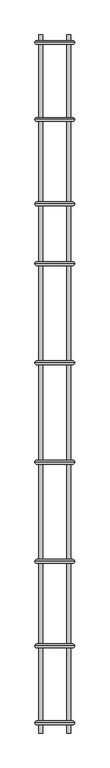
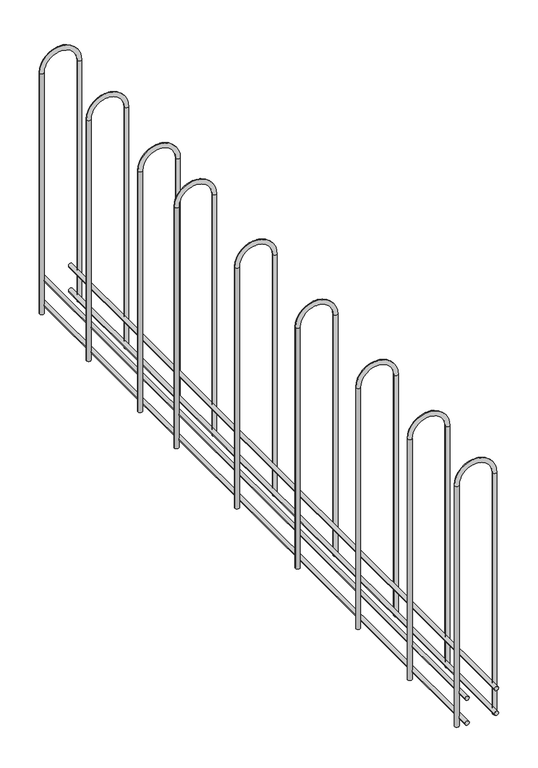
"""IFC4 building model written with IfcOpenShell, lengths in millimetres: proxy geometry."""

from ifc_helpers import new_model, si_unit, point, frame, frame_2d, origin, place, context, project, spatial, circle_curve, ellipse_curve, trimmed, segment, composite_curve, outline, extrude, source, transform, mapped, element, save
from ifc_brep_helpers import plane_surface, cylinder_surface, revolved_surface, advanced_brep


def generic_models_ecbf04d9(model_context):
    return source(origin(), model_context, "Body", "SolidModel", [
        advanced_brep(
        [(18808.412735, 10674.79344, 7827.9042142), (18800.412735, 10674.79344, 7827.9042142), (18808.412735, 10674.79344, 8312.9042142), (18800.412735, 10674.79344, 8312.9042142), (18736.412735, 10674.79344, 8312.9042142), (18728.412735, 10674.79344, 8312.9042142), (18728.412735, 10674.79344, 7827.9042142), (18736.412735, 10674.79344, 7827.9042142)],
        [
            (0, 1, circle_curve(frame((18804.412735, 10674.79344, 7827.9042142), z_axis=(0.0, 0.0, -1.0), x_axis=(-1.0, 0.0, 0.0)), 4.0)),
            (1, 0, circle_curve(frame((18804.412735, 10674.79344, 7827.9042142), z_axis=(0.0, 0.0, -1.0), x_axis=(-1.0, 0.0, 0.0)), 4.0)),
            (0, 2),
            (2, 3, circle_curve(frame((18804.412735, 10674.79344, 8312.9042142), z_axis=(0.0, 0.0, -1.0), x_axis=(-1.0, 0.0, 0.0)), 4.0)),
            (3, 1),
            (3, 2, circle_curve(frame((18804.412735, 10674.79344, 8312.9042142), z_axis=(0.0, 0.0, -1.0), x_axis=(-1.0, 0.0, 0.0)), 4.0)),
            (4, 3, circle_curve(frame((18768.412735, 10674.79344, 8312.9042142), z_axis=(0.0, 1.0, 0.0), x_axis=(1.0, 0.0, 0.0)), 32.0)),
            (2, 5, circle_curve(frame((18768.412735, 10674.79344, 8312.9042142), z_axis=(0.0, -1.0, 0.0), x_axis=(1.0, 0.0, 0.0)), 40.0)),
            (5, 4, circle_curve(frame((18732.412735, 10674.79344, 8312.9042142), z_axis=(0.0, 0.0, 1.0), x_axis=(1.0, 0.0, 0.0)), 4.0)),
            (4, 5, circle_curve(frame((18732.412735, 10674.79344, 8312.9042142), z_axis=(0.0, 0.0, 1.0), x_axis=(1.0, 0.0, 0.0)), 4.0)),
            (6, 7, circle_curve(frame((18732.412735, 10674.79344, 7827.9042142), z_axis=(0.0, 0.0, -1.0), x_axis=(1.0, 0.0, 0.0)), 4.0)),
            (7, 6, circle_curve(frame((18732.412735, 10674.79344, 7827.9042142), z_axis=(0.0, 0.0, -1.0), x_axis=(1.0, 0.0, 0.0)), 4.0)),
            (5, 6),
            (7, 4),
        ],
        [
            plane_surface(frame((18804.412735, 10674.79344, 7827.9042142), z_axis=(0.0, 0.0, -1.0), x_axis=(0.0, -1.0, 0.0))),
            cylinder_surface(frame((18804.412735, 10674.79344, 7827.9042142), z_axis=(0.0, 0.0, -1.0), x_axis=(-1.0, 0.0, 0.0)), 4.0),
            revolved_surface(trimmed(ellipse_curve(frame((18804.412735, 10674.79344, 8312.9042142), z_axis=(0.0, 0.0, -1.0), x_axis=(-1.0, 0.0, 0.0)), 4.0, 4.0), [point((18808.412735, 10674.79344, 8312.9042142))], [point((18800.412735, 10674.79344, 8312.9042142))], True, "CARTESIAN"), (18768.412735, 10674.79344, 8312.9042142), (0.0, -1.0, 0.0)),
            revolved_surface(trimmed(ellipse_curve(frame((18804.412735, 10674.79344, 8312.9042142), z_axis=(0.0, 0.0, -1.0), x_axis=(-1.0, 0.0, 0.0)), 4.0, 4.0), [point((18800.412735, 10674.79344, 8312.9042142))], [point((18808.412735, 10674.79344, 8312.9042142))], True, "CARTESIAN"), (18768.412735, 10674.79344, 8312.9042142), (0.0, -1.0, 0.0)),
            plane_surface(frame((18732.412735, 10674.79344, 7827.9042142), z_axis=(0.0, 0.0, -1.0), x_axis=(0.0, -1.0, 0.0))),
            cylinder_surface(frame((18732.412735, 10674.79344, 8312.9042142), z_axis=(0.0, 0.0, 1.0), x_axis=(1.0, 0.0, 0.0)), 4.0),
        ],
        [
            (0, [[1, 2]]),
            (1, [[-1, 3, 4, 5]]),
            (1, [[-2, -5, 6, -3]]),
            (2, [[7, -4, 8, 9]]),
            (3, [[-8, -6, -7, 10]]),
            (4, [[11, 12]]),
            (5, [[-9, 13, -12, 14]]),
            (5, [[-10, -14, -11, -13]]),
        ],
    ),
        advanced_brep(
        [(18808.412735, 10519.79344, 7827.9042142), (18800.412735, 10519.79344, 7827.9042142), (18808.412735, 10519.79344, 8312.9042142), (18800.412735, 10519.79344, 8312.9042142), (18736.412735, 10519.79344, 8312.9042142), (18728.412735, 10519.79344, 8312.9042142), (18728.412735, 10519.79344, 7827.9042142), (18736.412735, 10519.79344, 7827.9042142)],
        [
            (0, 1, circle_curve(frame((18804.412735, 10519.79344, 7827.9042142), z_axis=(0.0, 0.0, -1.0), x_axis=(-1.0, 0.0, 0.0)), 4.0)),
            (1, 0, circle_curve(frame((18804.412735, 10519.79344, 7827.9042142), z_axis=(0.0, 0.0, -1.0), x_axis=(-1.0, 0.0, 0.0)), 4.0)),
            (0, 2),
            (2, 3, circle_curve(frame((18804.412735, 10519.79344, 8312.9042142), z_axis=(0.0, 0.0, -1.0), x_axis=(-1.0, 0.0, 0.0)), 4.0)),
            (3, 1),
            (3, 2, circle_curve(frame((18804.412735, 10519.79344, 8312.9042142), z_axis=(0.0, 0.0, -1.0), x_axis=(-1.0, 0.0, 0.0)), 4.0)),
            (4, 3, circle_curve(frame((18768.412735, 10519.79344, 8312.9042142), z_axis=(0.0, 1.0, 0.0), x_axis=(1.0, 0.0, 0.0)), 32.0)),
            (2, 5, circle_curve(frame((18768.412735, 10519.79344, 8312.9042142), z_axis=(0.0, -1.0, 0.0), x_axis=(1.0, 0.0, 0.0)), 40.0)),
            (5, 4, circle_curve(frame((18732.412735, 10519.79344, 8312.9042142), z_axis=(0.0, 0.0, 1.0), x_axis=(1.0, 0.0, 0.0)), 4.0)),
            (4, 5, circle_curve(frame((18732.412735, 10519.79344, 8312.9042142), z_axis=(0.0, 0.0, 1.0), x_axis=(1.0, 0.0, 0.0)), 4.0)),
            (6, 7, circle_curve(frame((18732.412735, 10519.79344, 7827.9042142), z_axis=(0.0, 0.0, -1.0), x_axis=(1.0, 0.0, 0.0)), 4.0)),
            (7, 6, circle_curve(frame((18732.412735, 10519.79344, 7827.9042142), z_axis=(0.0, 0.0, -1.0), x_axis=(1.0, 0.0, 0.0)), 4.0)),
            (5, 6),
            (7, 4),
        ],
        [
            plane_surface(frame((18804.412735, 10519.79344, 7827.9042142), z_axis=(0.0, 0.0, -1.0), x_axis=(0.0, -1.0, 0.0))),
            cylinder_surface(frame((18804.412735, 10519.79344, 7827.9042142), z_axis=(0.0, 0.0, -1.0), x_axis=(-1.0, 0.0, 0.0)), 4.0),
            revolved_surface(trimmed(ellipse_curve(frame((18804.412735, 10519.79344, 8312.9042142), z_axis=(0.0, 0.0, -1.0), x_axis=(-1.0, 0.0, 0.0)), 4.0, 4.0), [point((18808.412735, 10519.79344, 8312.9042142))], [point((18800.412735, 10519.79344, 8312.9042142))], True, "CARTESIAN"), (18768.412735, 10519.79344, 8312.9042142), (0.0, -1.0, 0.0)),
            revolved_surface(trimmed(ellipse_curve(frame((18804.412735, 10519.79344, 8312.9042142), z_axis=(0.0, 0.0, -1.0), x_axis=(-1.0, 0.0, 0.0)), 4.0, 4.0), [point((18800.412735, 10519.79344, 8312.9042142))], [point((18808.412735, 10519.79344, 8312.9042142))], True, "CARTESIAN"), (18768.412735, 10519.79344, 8312.9042142), (0.0, -1.0, 0.0)),
            plane_surface(frame((18732.412735, 10519.79344, 7827.9042142), z_axis=(0.0, 0.0, -1.0), x_axis=(0.0, -1.0, 0.0))),
            cylinder_surface(frame((18732.412735, 10519.79344, 8312.9042142), z_axis=(0.0, 0.0, 1.0), x_axis=(1.0, 0.0, 0.0)), 4.0),
        ],
        [
            (0, [[1, 2]]),
            (1, [[-1, 3, 4, 5]]),
            (1, [[-2, -5, 6, -3]]),
            (2, [[7, -4, 8, 9]]),
            (3, [[-8, -6, -7, 10]]),
            (4, [[11, 12]]),
            (5, [[-9, 13, -12, 14]]),
            (5, [[-10, -14, -11, -13]]),
        ],
    ),
        advanced_brep(
        [(18808.412735, 10349.79344, 7827.9042142), (18800.412735, 10349.79344, 7827.9042142), (18808.412735, 10349.79344, 8312.9042142), (18800.412735, 10349.79344, 8312.9042142), (18736.412735, 10349.79344, 8312.9042142), (18728.412735, 10349.79344, 8312.9042142), (18728.412735, 10349.79344, 7827.9042142), (18736.412735, 10349.79344, 7827.9042142)],
        [
            (0, 1, circle_curve(frame((18804.412735, 10349.79344, 7827.9042142), z_axis=(0.0, 0.0, -1.0), x_axis=(-1.0, 0.0, 0.0)), 4.0)),
            (1, 0, circle_curve(frame((18804.412735, 10349.79344, 7827.9042142), z_axis=(0.0, 0.0, -1.0), x_axis=(-1.0, 0.0, 0.0)), 4.0)),
            (0, 2),
            (2, 3, circle_curve(frame((18804.412735, 10349.79344, 8312.9042142), z_axis=(0.0, 0.0, -1.0), x_axis=(-1.0, 0.0, 0.0)), 4.0)),
            (3, 1),
            (3, 2, circle_curve(frame((18804.412735, 10349.79344, 8312.9042142), z_axis=(0.0, 0.0, -1.0), x_axis=(-1.0, 0.0, 0.0)), 4.0)),
            (4, 3, circle_curve(frame((18768.412735, 10349.79344, 8312.9042142), z_axis=(0.0, 1.0, 0.0), x_axis=(1.0, 0.0, 0.0)), 32.0)),
            (2, 5, circle_curve(frame((18768.412735, 10349.79344, 8312.9042142), z_axis=(0.0, -1.0, 0.0), x_axis=(1.0, 0.0, 0.0)), 40.0)),
            (5, 4, circle_curve(frame((18732.412735, 10349.79344, 8312.9042142), z_axis=(0.0, 0.0, 1.0), x_axis=(1.0, 0.0, 0.0)), 4.0)),
            (4, 5, circle_curve(frame((18732.412735, 10349.79344, 8312.9042142), z_axis=(0.0, 0.0, 1.0), x_axis=(1.0, 0.0, 0.0)), 4.0)),
            (6, 7, circle_curve(frame((18732.412735, 10349.79344, 7827.9042142), z_axis=(0.0, 0.0, -1.0), x_axis=(1.0, 0.0, 0.0)), 4.0)),
            (7, 6, circle_curve(frame((18732.412735, 10349.79344, 7827.9042142), z_axis=(0.0, 0.0, -1.0), x_axis=(1.0, 0.0, 0.0)), 4.0)),
            (5, 6),
            (7, 4),
        ],
        [
            plane_surface(frame((18804.412735, 10349.79344, 7827.9042142), z_axis=(0.0, 0.0, -1.0), x_axis=(0.0, -1.0, 0.0))),
            cylinder_surface(frame((18804.412735, 10349.79344, 7827.9042142), z_axis=(0.0, 0.0, -1.0), x_axis=(-1.0, 0.0, 0.0)), 4.0),
            revolved_surface(trimmed(ellipse_curve(frame((18804.412735, 10349.79344, 8312.9042142), z_axis=(0.0, 0.0, -1.0), x_axis=(-1.0, 0.0, 0.0)), 4.0, 4.0), [point((18808.412735, 10349.79344, 8312.9042142))], [point((18800.412735, 10349.79344, 8312.9042142))], True, "CARTESIAN"), (18768.412735, 10349.79344, 8312.9042142), (0.0, -1.0, 0.0)),
            revolved_surface(trimmed(ellipse_curve(frame((18804.412735, 10349.79344, 8312.9042142), z_axis=(0.0, 0.0, -1.0), x_axis=(-1.0, 0.0, 0.0)), 4.0, 4.0), [point((18800.412735, 10349.79344, 8312.9042142))], [point((18808.412735, 10349.79344, 8312.9042142))], True, "CARTESIAN"), (18768.412735, 10349.79344, 8312.9042142), (0.0, -1.0, 0.0)),
            plane_surface(frame((18732.412735, 10349.79344, 7827.9042142), z_axis=(0.0, 0.0, -1.0), x_axis=(0.0, -1.0, 0.0))),
            cylinder_surface(frame((18732.412735, 10349.79344, 8312.9042142), z_axis=(0.0, 0.0, 1.0), x_axis=(1.0, 0.0, 0.0)), 4.0),
        ],
        [
            (0, [[1, 2]]),
            (1, [[-1, 3, 4, 5]]),
            (1, [[-2, -5, 6, -3]]),
            (2, [[7, -4, 8, 9]]),
            (3, [[-8, -6, -7, 10]]),
            (4, [[11, 12]]),
            (5, [[-9, 13, -12, 14]]),
            (5, [[-10, -14, -11, -13]]),
        ],
    ),
        advanced_brep(
        [(18808.412735, 10229.79344, 7827.9042142), (18800.412735, 10229.79344, 7827.9042142), (18808.412735, 10229.79344, 8312.9042142), (18800.412735, 10229.79344, 8312.9042142), (18736.412735, 10229.79344, 8312.9042142), (18728.412735, 10229.79344, 8312.9042142), (18728.412735, 10229.79344, 7827.9042142), (18736.412735, 10229.79344, 7827.9042142)],
        [
            (0, 1, circle_curve(frame((18804.412735, 10229.79344, 7827.9042142), z_axis=(0.0, 0.0, -1.0), x_axis=(-1.0, 0.0, 0.0)), 4.0)),
            (1, 0, circle_curve(frame((18804.412735, 10229.79344, 7827.9042142), z_axis=(0.0, 0.0, -1.0), x_axis=(-1.0, 0.0, 0.0)), 4.0)),
            (0, 2),
            (2, 3, circle_curve(frame((18804.412735, 10229.79344, 8312.9042142), z_axis=(0.0, 0.0, -1.0), x_axis=(-1.0, 0.0, 0.0)), 4.0)),
            (3, 1),
            (3, 2, circle_curve(frame((18804.412735, 10229.79344, 8312.9042142), z_axis=(0.0, 0.0, -1.0), x_axis=(-1.0, 0.0, 0.0)), 4.0)),
            (4, 3, circle_curve(frame((18768.412735, 10229.79344, 8312.9042142), z_axis=(0.0, 1.0, 0.0), x_axis=(1.0, 0.0, 0.0)), 32.0)),
            (2, 5, circle_curve(frame((18768.412735, 10229.79344, 8312.9042142), z_axis=(0.0, -1.0, 0.0), x_axis=(1.0, 0.0, 0.0)), 40.0)),
            (5, 4, circle_curve(frame((18732.412735, 10229.79344, 8312.9042142), z_axis=(0.0, 0.0, 1.0), x_axis=(1.0, 0.0, 0.0)), 4.0)),
            (4, 5, circle_curve(frame((18732.412735, 10229.79344, 8312.9042142), z_axis=(0.0, 0.0, 1.0), x_axis=(1.0, 0.0, 0.0)), 4.0)),
            (6, 7, circle_curve(frame((18732.412735, 10229.79344, 7827.9042142), z_axis=(0.0, 0.0, -1.0), x_axis=(1.0, 0.0, 0.0)), 4.0)),
            (7, 6, circle_curve(frame((18732.412735, 10229.79344, 7827.9042142), z_axis=(0.0, 0.0, -1.0), x_axis=(1.0, 0.0, 0.0)), 4.0)),
            (5, 6),
            (7, 4),
        ],
        [
            plane_surface(frame((18804.412735, 10229.79344, 7827.9042142), z_axis=(0.0, 0.0, -1.0), x_axis=(0.0, -1.0, 0.0))),
            cylinder_surface(frame((18804.412735, 10229.79344, 7827.9042142), z_axis=(0.0, 0.0, -1.0), x_axis=(-1.0, 0.0, 0.0)), 4.0),
            revolved_surface(trimmed(ellipse_curve(frame((18804.412735, 10229.79344, 8312.9042142), z_axis=(0.0, 0.0, -1.0), x_axis=(-1.0, 0.0, 0.0)), 4.0, 4.0), [point((18808.412735, 10229.79344, 8312.9042142))], [point((18800.412735, 10229.79344, 8312.9042142))], True, "CARTESIAN"), (18768.412735, 10229.79344, 8312.9042142), (0.0, -1.0, 0.0)),
            revolved_surface(trimmed(ellipse_curve(frame((18804.412735, 10229.79344, 8312.9042142), z_axis=(0.0, 0.0, -1.0), x_axis=(-1.0, 0.0, 0.0)), 4.0, 4.0), [point((18800.412735, 10229.79344, 8312.9042142))], [point((18808.412735, 10229.79344, 8312.9042142))], True, "CARTESIAN"), (18768.412735, 10229.79344, 8312.9042142), (0.0, -1.0, 0.0)),
            plane_surface(frame((18732.412735, 10229.79344, 7827.9042142), z_axis=(0.0, 0.0, -1.0), x_axis=(0.0, -1.0, 0.0))),
            cylinder_surface(frame((18732.412735, 10229.79344, 8312.9042142), z_axis=(0.0, 0.0, 1.0), x_axis=(1.0, 0.0, 0.0)), 4.0),
        ],
        [
            (0, [[1, 2]]),
            (1, [[-1, 3, 4, 5]]),
            (1, [[-2, -5, 6, -3]]),
            (2, [[7, -4, 8, 9]]),
            (3, [[-8, -6, -7, 10]]),
            (4, [[11, 12]]),
            (5, [[-9, 13, -12, 14]]),
            (5, [[-10, -14, -11, -13]]),
        ],
    ),
        advanced_brep(
        [(18808.412735, 10030.067533, 7827.9042142), (18800.412735, 10030.067533, 7827.9042142), (18808.412735, 10030.067533, 8312.9042142), (18800.412735, 10030.067533, 8312.9042142), (18736.412735, 10030.067533, 8312.9042142), (18728.412735, 10030.067533, 8312.9042142), (18728.412735, 10030.067533, 7827.9042142), (18736.412735, 10030.067533, 7827.9042142)],
        [
            (0, 1, circle_curve(frame((18804.412735, 10030.067533, 7827.9042142), z_axis=(0.0, 0.0, -1.0), x_axis=(-1.0, 0.0, 0.0)), 4.0)),
            (1, 0, circle_curve(frame((18804.412735, 10030.067533, 7827.9042142), z_axis=(0.0, 0.0, -1.0), x_axis=(-1.0, 0.0, 0.0)), 4.0)),
            (0, 2),
            (2, 3, circle_curve(frame((18804.412735, 10030.067533, 8312.9042142), z_axis=(0.0, 0.0, -1.0), x_axis=(-1.0, 0.0, 0.0)), 4.0)),
            (3, 1),
            (3, 2, circle_curve(frame((18804.412735, 10030.067533, 8312.9042142), z_axis=(0.0, 0.0, -1.0), x_axis=(-1.0, 0.0, 0.0)), 4.0)),
            (4, 3, circle_curve(frame((18768.412735, 10030.067533, 8312.9042142), z_axis=(0.0, 1.0, 0.0), x_axis=(1.0, 0.0, 0.0)), 32.0)),
            (2, 5, circle_curve(frame((18768.412735, 10030.067533, 8312.9042142), z_axis=(0.0, -1.0, 0.0), x_axis=(1.0, 0.0, 0.0)), 40.0)),
            (5, 4, circle_curve(frame((18732.412735, 10030.067533, 8312.9042142), z_axis=(0.0, 0.0, 1.0), x_axis=(1.0, 0.0, 0.0)), 4.0)),
            (4, 5, circle_curve(frame((18732.412735, 10030.067533, 8312.9042142), z_axis=(0.0, 0.0, 1.0), x_axis=(1.0, 0.0, 0.0)), 4.0)),
            (6, 7, circle_curve(frame((18732.412735, 10030.067533, 7827.9042142), z_axis=(0.0, 0.0, -1.0), x_axis=(1.0, 0.0, 0.0)), 4.0)),
            (7, 6, circle_curve(frame((18732.412735, 10030.067533, 7827.9042142), z_axis=(0.0, 0.0, -1.0), x_axis=(1.0, 0.0, 0.0)), 4.0)),
            (5, 6),
            (7, 4),
        ],
        [
            plane_surface(frame((18804.412735, 10030.067533, 7827.9042142), z_axis=(0.0, 0.0, -1.0), x_axis=(0.0, -1.0, 0.0))),
            cylinder_surface(frame((18804.412735, 10030.067533, 7827.9042142), z_axis=(0.0, 0.0, -1.0), x_axis=(-1.0, 0.0, 0.0)), 4.0),
            revolved_surface(trimmed(ellipse_curve(frame((18804.412735, 10030.067533, 8312.9042142), z_axis=(0.0, 0.0, -1.0), x_axis=(-1.0, 0.0, 0.0)), 4.0, 4.0), [point((18808.412735, 10030.067533, 8312.9042142))], [point((18800.412735, 10030.067533, 8312.9042142))], True, "CARTESIAN"), (18768.412735, 10030.067533, 8312.9042142), (0.0, -1.0, 0.0)),
            revolved_surface(trimmed(ellipse_curve(frame((18804.412735, 10030.067533, 8312.9042142), z_axis=(0.0, 0.0, -1.0), x_axis=(-1.0, 0.0, 0.0)), 4.0, 4.0), [point((18800.412735, 10030.067533, 8312.9042142))], [point((18808.412735, 10030.067533, 8312.9042142))], True, "CARTESIAN"), (18768.412735, 10030.067533, 8312.9042142), (0.0, -1.0, 0.0)),
            plane_surface(frame((18732.412735, 10030.067533, 7827.9042142), z_axis=(0.0, 0.0, -1.0), x_axis=(0.0, -1.0, 0.0))),
            cylinder_surface(frame((18732.412735, 10030.067533, 8312.9042142), z_axis=(0.0, 0.0, 1.0), x_axis=(1.0, 0.0, 0.0)), 4.0),
        ],
        [
            (0, [[1, 2]]),
            (1, [[-1, 3, 4, 5]]),
            (1, [[-2, -5, 6, -3]]),
            (2, [[7, -4, 8, 9]]),
            (3, [[-8, -6, -7, 10]]),
            (4, [[11, 12]]),
            (5, [[-9, 13, -12, 14]]),
            (5, [[-10, -14, -11, -13]]),
        ],
    ),
        advanced_brep(
        [(18808.412735, 9830.067533, 7827.9042142), (18800.412735, 9830.067533, 7827.9042142), (18808.412735, 9830.067533, 8312.9042142), (18800.412735, 9830.067533, 8312.9042142), (18736.412735, 9830.067533, 8312.9042142), (18728.412735, 9830.067533, 8312.9042142), (18728.412735, 9830.067533, 7827.9042142), (18736.412735, 9830.067533, 7827.9042142)],
        [
            (0, 1, circle_curve(frame((18804.412735, 9830.067533, 7827.9042142), z_axis=(0.0, 0.0, -1.0), x_axis=(-1.0, 0.0, 0.0)), 4.0)),
            (1, 0, circle_curve(frame((18804.412735, 9830.067533, 7827.9042142), z_axis=(0.0, 0.0, -1.0), x_axis=(-1.0, 0.0, 0.0)), 4.0)),
            (0, 2),
            (2, 3, circle_curve(frame((18804.412735, 9830.067533, 8312.9042142), z_axis=(0.0, 0.0, -1.0), x_axis=(-1.0, 0.0, 0.0)), 4.0)),
            (3, 1),
            (3, 2, circle_curve(frame((18804.412735, 9830.067533, 8312.9042142), z_axis=(0.0, 0.0, -1.0), x_axis=(-1.0, 0.0, 0.0)), 4.0)),
            (4, 3, circle_curve(frame((18768.412735, 9830.067533, 8312.9042142), z_axis=(0.0, 1.0, 0.0), x_axis=(1.0, 0.0, 0.0)), 32.0)),
            (2, 5, circle_curve(frame((18768.412735, 9830.067533, 8312.9042142), z_axis=(0.0, -1.0, 0.0), x_axis=(1.0, 0.0, 0.0)), 40.0)),
            (5, 4, circle_curve(frame((18732.412735, 9830.067533, 8312.9042142), z_axis=(0.0, 0.0, 1.0), x_axis=(1.0, 0.0, 0.0)), 4.0)),
            (4, 5, circle_curve(frame((18732.412735, 9830.067533, 8312.9042142), z_axis=(0.0, 0.0, 1.0), x_axis=(1.0, 0.0, 0.0)), 4.0)),
            (6, 7, circle_curve(frame((18732.412735, 9830.067533, 7827.9042142), z_axis=(0.0, 0.0, -1.0), x_axis=(1.0, 0.0, 0.0)), 4.0)),
            (7, 6, circle_curve(frame((18732.412735, 9830.067533, 7827.9042142), z_axis=(0.0, 0.0, -1.0), x_axis=(1.0, 0.0, 0.0)), 4.0)),
            (5, 6),
            (7, 4),
        ],
        [
            plane_surface(frame((18804.412735, 9830.067533, 7827.9042142), z_axis=(0.0, 0.0, -1.0), x_axis=(0.0, -1.0, 0.0))),
            cylinder_surface(frame((18804.412735, 9830.067533, 7827.9042142), z_axis=(0.0, 0.0, -1.0), x_axis=(-1.0, 0.0, 0.0)), 4.0),
            revolved_surface(trimmed(ellipse_curve(frame((18804.412735, 9830.067533, 8312.9042142), z_axis=(0.0, 0.0, -1.0), x_axis=(-1.0, 0.0, 0.0)), 4.0, 4.0), [point((18808.412735, 9830.067533, 8312.9042142))], [point((18800.412735, 9830.067533, 8312.9042142))], True, "CARTESIAN"), (18768.412735, 9830.067533, 8312.9042142), (0.0, -1.0, 0.0)),
            revolved_surface(trimmed(ellipse_curve(frame((18804.412735, 9830.067533, 8312.9042142), z_axis=(0.0, 0.0, -1.0), x_axis=(-1.0, 0.0, 0.0)), 4.0, 4.0), [point((18800.412735, 9830.067533, 8312.9042142))], [point((18808.412735, 9830.067533, 8312.9042142))], True, "CARTESIAN"), (18768.412735, 9830.067533, 8312.9042142), (0.0, -1.0, 0.0)),
            plane_surface(frame((18732.412735, 9830.067533, 7827.9042142), z_axis=(0.0, 0.0, -1.0), x_axis=(0.0, -1.0, 0.0))),
            cylinder_surface(frame((18732.412735, 9830.067533, 8312.9042142), z_axis=(0.0, 0.0, 1.0), x_axis=(1.0, 0.0, 0.0)), 4.0),
        ],
        [
            (0, [[1, 2]]),
            (1, [[-1, 3, 4, 5]]),
            (1, [[-2, -5, 6, -3]]),
            (2, [[7, -4, 8, 9]]),
            (3, [[-8, -6, -7, 10]]),
            (4, [[11, 12]]),
            (5, [[-9, 13, -12, 14]]),
            (5, [[-10, -14, -11, -13]]),
        ],
    ),
        advanced_brep(
        [(18808.412735, 9630.067533, 7827.9042142), (18800.412735, 9630.067533, 7827.9042142), (18808.412735, 9630.067533, 8312.9042142), (18800.412735, 9630.067533, 8312.9042142), (18736.412735, 9630.067533, 8312.9042142), (18728.412735, 9630.067533, 8312.9042142), (18728.412735, 9630.067533, 7827.9042142), (18736.412735, 9630.067533, 7827.9042142)],
        [
            (0, 1, circle_curve(frame((18804.412735, 9630.067533, 7827.9042142), z_axis=(0.0, 0.0, -1.0), x_axis=(-1.0, 0.0, 0.0)), 4.0)),
            (1, 0, circle_curve(frame((18804.412735, 9630.067533, 7827.9042142), z_axis=(0.0, 0.0, -1.0), x_axis=(-1.0, 0.0, 0.0)), 4.0)),
            (0, 2),
            (2, 3, circle_curve(frame((18804.412735, 9630.067533, 8312.9042142), z_axis=(0.0, 0.0, -1.0), x_axis=(-1.0, 0.0, 0.0)), 4.0)),
            (3, 1),
            (3, 2, circle_curve(frame((18804.412735, 9630.067533, 8312.9042142), z_axis=(0.0, 0.0, -1.0), x_axis=(-1.0, 0.0, 0.0)), 4.0)),
            (4, 3, circle_curve(frame((18768.412735, 9630.067533, 8312.9042142), z_axis=(0.0, 1.0, 0.0), x_axis=(1.0, 0.0, 0.0)), 32.0)),
            (2, 5, circle_curve(frame((18768.412735, 9630.067533, 8312.9042142), z_axis=(0.0, -1.0, 0.0), x_axis=(1.0, 0.0, 0.0)), 40.0)),
            (5, 4, circle_curve(frame((18732.412735, 9630.067533, 8312.9042142), z_axis=(0.0, 0.0, 1.0), x_axis=(1.0, 0.0, 0.0)), 4.0)),
            (4, 5, circle_curve(frame((18732.412735, 9630.067533, 8312.9042142), z_axis=(0.0, 0.0, 1.0), x_axis=(1.0, 0.0, 0.0)), 4.0)),
            (6, 7, circle_curve(frame((18732.412735, 9630.067533, 7827.9042142), z_axis=(0.0, 0.0, -1.0), x_axis=(1.0, 0.0, 0.0)), 4.0)),
            (7, 6, circle_curve(frame((18732.412735, 9630.067533, 7827.9042142), z_axis=(0.0, 0.0, -1.0), x_axis=(1.0, 0.0, 0.0)), 4.0)),
            (5, 6),
            (7, 4),
        ],
        [
            plane_surface(frame((18804.412735, 9630.067533, 7827.9042142), z_axis=(0.0, 0.0, -1.0), x_axis=(0.0, -1.0, 0.0))),
            cylinder_surface(frame((18804.412735, 9630.067533, 7827.9042142), z_axis=(0.0, 0.0, -1.0), x_axis=(-1.0, 0.0, 0.0)), 4.0),
            revolved_surface(trimmed(ellipse_curve(frame((18804.412735, 9630.067533, 8312.9042142), z_axis=(0.0, 0.0, -1.0), x_axis=(-1.0, 0.0, 0.0)), 4.0, 4.0), [point((18808.412735, 9630.067533, 8312.9042142))], [point((18800.412735, 9630.067533, 8312.9042142))], True, "CARTESIAN"), (18768.412735, 9630.067533, 8312.9042142), (0.0, -1.0, 0.0)),
            revolved_surface(trimmed(ellipse_curve(frame((18804.412735, 9630.067533, 8312.9042142), z_axis=(0.0, 0.0, -1.0), x_axis=(-1.0, 0.0, 0.0)), 4.0, 4.0), [point((18800.412735, 9630.067533, 8312.9042142))], [point((18808.412735, 9630.067533, 8312.9042142))], True, "CARTESIAN"), (18768.412735, 9630.067533, 8312.9042142), (0.0, -1.0, 0.0)),
            plane_surface(frame((18732.412735, 9630.067533, 7827.9042142), z_axis=(0.0, 0.0, -1.0), x_axis=(0.0, -1.0, 0.0))),
            cylinder_surface(frame((18732.412735, 9630.067533, 8312.9042142), z_axis=(0.0, 0.0, 1.0), x_axis=(1.0, 0.0, 0.0)), 4.0),
        ],
        [
            (0, [[1, 2]]),
            (1, [[-1, 3, 4, 5]]),
            (1, [[-2, -5, 6, -3]]),
            (2, [[7, -4, 8, 9]]),
            (3, [[-8, -6, -7, 10]]),
            (4, [[11, 12]]),
            (5, [[-9, 13, -12, 14]]),
            (5, [[-10, -14, -11, -13]]),
        ],
    ),
        advanced_brep(
        [(18808.412735, 9460.067533, 7827.9042142), (18800.412735, 9460.067533, 7827.9042142), (18808.412735, 9460.067533, 8312.9042142), (18800.412735, 9460.067533, 8312.9042142), (18736.412735, 9460.067533, 8312.9042142), (18728.412735, 9460.067533, 8312.9042142), (18728.412735, 9460.067533, 7827.9042142), (18736.412735, 9460.067533, 7827.9042142)],
        [
            (0, 1, circle_curve(frame((18804.412735, 9460.067533, 7827.9042142), z_axis=(0.0, 0.0, -1.0), x_axis=(-1.0, 0.0, 0.0)), 4.0)),
            (1, 0, circle_curve(frame((18804.412735, 9460.067533, 7827.9042142), z_axis=(0.0, 0.0, -1.0), x_axis=(-1.0, 0.0, 0.0)), 4.0)),
            (0, 2),
            (2, 3, circle_curve(frame((18804.412735, 9460.067533, 8312.9042142), z_axis=(0.0, 0.0, -1.0), x_axis=(-1.0, 0.0, 0.0)), 4.0)),
            (3, 1),
            (3, 2, circle_curve(frame((18804.412735, 9460.067533, 8312.9042142), z_axis=(0.0, 0.0, -1.0), x_axis=(-1.0, 0.0, 0.0)), 4.0)),
            (4, 3, circle_curve(frame((18768.412735, 9460.067533, 8312.9042142), z_axis=(0.0, 1.0, 0.0), x_axis=(1.0, 0.0, 0.0)), 32.0)),
            (2, 5, circle_curve(frame((18768.412735, 9460.067533, 8312.9042142), z_axis=(0.0, -1.0, 0.0), x_axis=(1.0, 0.0, 0.0)), 40.0)),
            (5, 4, circle_curve(frame((18732.412735, 9460.067533, 8312.9042142), z_axis=(0.0, 0.0, 1.0), x_axis=(1.0, 0.0, 0.0)), 4.0)),
            (4, 5, circle_curve(frame((18732.412735, 9460.067533, 8312.9042142), z_axis=(0.0, 0.0, 1.0), x_axis=(1.0, 0.0, 0.0)), 4.0)),
            (6, 7, circle_curve(frame((18732.412735, 9460.067533, 7827.9042142), z_axis=(0.0, 0.0, -1.0), x_axis=(1.0, 0.0, 0.0)), 4.0)),
            (7, 6, circle_curve(frame((18732.412735, 9460.067533, 7827.9042142), z_axis=(0.0, 0.0, -1.0), x_axis=(1.0, 0.0, 0.0)), 4.0)),
            (5, 6),
            (7, 4),
        ],
        [
            plane_surface(frame((18804.412735, 9460.067533, 7827.9042142), z_axis=(0.0, 0.0, -1.0), x_axis=(0.0, -1.0, 0.0))),
            cylinder_surface(frame((18804.412735, 9460.067533, 7827.9042142), z_axis=(0.0, 0.0, -1.0), x_axis=(-1.0, 0.0, 0.0)), 4.0),
            revolved_surface(trimmed(ellipse_curve(frame((18804.412735, 9460.067533, 8312.9042142), z_axis=(0.0, 0.0, -1.0), x_axis=(-1.0, 0.0, 0.0)), 4.0, 4.0), [point((18808.412735, 9460.067533, 8312.9042142))], [point((18800.412735, 9460.067533, 8312.9042142))], True, "CARTESIAN"), (18768.412735, 9460.067533, 8312.9042142), (0.0, -1.0, 0.0)),
            revolved_surface(trimmed(ellipse_curve(frame((18804.412735, 9460.067533, 8312.9042142), z_axis=(0.0, 0.0, -1.0), x_axis=(-1.0, 0.0, 0.0)), 4.0, 4.0), [point((18800.412735, 9460.067533, 8312.9042142))], [point((18808.412735, 9460.067533, 8312.9042142))], True, "CARTESIAN"), (18768.412735, 9460.067533, 8312.9042142), (0.0, -1.0, 0.0)),
            plane_surface(frame((18732.412735, 9460.067533, 7827.9042142), z_axis=(0.0, 0.0, -1.0), x_axis=(0.0, -1.0, 0.0))),
            cylinder_surface(frame((18732.412735, 9460.067533, 8312.9042142), z_axis=(0.0, 0.0, 1.0), x_axis=(1.0, 0.0, 0.0)), 4.0),
        ],
        [
            (0, [[1, 2]]),
            (1, [[-1, 3, 4, 5]]),
            (1, [[-2, -5, 6, -3]]),
            (2, [[7, -4, 8, 9]]),
            (3, [[-8, -6, -7, 10]]),
            (4, [[11, 12]]),
            (5, [[-9, 13, -12, 14]]),
            (5, [[-10, -14, -11, -13]]),
        ],
    ),
        extrude(outline(composite_curve([segment(trimmed(circle_curve(frame_2d((7892.9042142, 18740.3500557)), 4.0), [point((7892.9042142, 18736.3500557))], [point((7892.9042142, 18744.3500557))], False, "CARTESIAN"), True, "CONTINUOUS"), segment(trimmed(circle_curve(frame_2d((7892.9042142, 18740.3500557)), 4.0), [point((7892.9042142, 18744.3500557))], [point((7892.9042142, 18736.3500557))], False, "CARTESIAN"), True, "CONTINUOUS")], self_intersect=False)), frame((0.0, 9284.6830024, 0.0), z_axis=(0.0, 1.0, 0.0), x_axis=(0.0, 0.0, 1.0)), (0.0, 0.0, 1.0), 1405.3677904),
        extrude(outline(composite_curve([segment(trimmed(circle_curve(frame_2d((7842.9042142, 18740.3500557)), 4.0), [point((7842.9042142, 18736.3500557))], [point((7842.9042142, 18744.3500557))], False, "CARTESIAN"), True, "CONTINUOUS"), segment(trimmed(circle_curve(frame_2d((7842.9042142, 18740.3500557)), 4.0), [point((7842.9042142, 18744.3500557))], [point((7842.9042142, 18736.3500557))], False, "CARTESIAN"), True, "CONTINUOUS")], self_intersect=False)), frame((0.0, 9284.6830024, 0.0), z_axis=(0.0, 1.0, 0.0), x_axis=(0.0, 0.0, 1.0)), (0.0, 0.0, 1.0), 1405.3677904),
        extrude(outline(composite_curve([segment(trimmed(circle_curve(frame_2d((7892.9042142, 18796.4754142)), 4.0), [point((7892.9042142, 18800.4754142))], [point((7892.9042142, 18792.4754142))], False, "CARTESIAN"), True, "CONTINUOUS"), segment(trimmed(circle_curve(frame_2d((7892.9042142, 18796.4754142)), 4.0), [point((7892.9042142, 18792.4754142))], [point((7892.9042142, 18800.4754142))], False, "CARTESIAN"), True, "CONTINUOUS")], self_intersect=False)), frame((0.0, 9284.6830024, 0.0), z_axis=(0.0, 1.0, 0.0), x_axis=(0.0, 0.0, 1.0)), (0.0, 0.0, 1.0), 1405.3677904),
        extrude(outline(composite_curve([segment(trimmed(circle_curve(frame_2d((7842.9042142, 18796.4754142)), 4.0), [point((7842.9042142, 18800.4754142))], [point((7842.9042142, 18792.4754142))], False, "CARTESIAN"), True, "CONTINUOUS"), segment(trimmed(circle_curve(frame_2d((7842.9042142, 18796.4754142)), 4.0), [point((7842.9042142, 18792.4754142))], [point((7842.9042142, 18800.4754142))], False, "CARTESIAN"), True, "CONTINUOUS")], self_intersect=False)), frame((0.0, 9284.6830024, 0.0), z_axis=(0.0, 1.0, 0.0), x_axis=(0.0, 0.0, 1.0)), (0.0, 0.0, 1.0), 1405.3677904),
        advanced_brep(
        [(18808.412735, 9305.067533, 7827.9042142), (18800.412735, 9305.067533, 7827.9042142), (18808.412735, 9305.067533, 8312.9042142), (18800.412735, 9305.067533, 8312.9042142), (18736.412735, 9305.067533, 8312.9042142), (18728.412735, 9305.067533, 8312.9042142), (18728.412735, 9305.067533, 7827.9042142), (18736.412735, 9305.067533, 7827.9042142)],
        [
            (0, 1, circle_curve(frame((18804.412735, 9305.067533, 7827.9042142), z_axis=(0.0, 0.0, -1.0), x_axis=(-1.0, 0.0, 0.0)), 4.0)),
            (1, 0, circle_curve(frame((18804.412735, 9305.067533, 7827.9042142), z_axis=(0.0, 0.0, -1.0), x_axis=(-1.0, 0.0, 0.0)), 4.0)),
            (0, 2),
            (2, 3, circle_curve(frame((18804.412735, 9305.067533, 8312.9042142), z_axis=(0.0, 0.0, -1.0), x_axis=(-1.0, 0.0, 0.0)), 4.0)),
            (3, 1),
            (3, 2, circle_curve(frame((18804.412735, 9305.067533, 8312.9042142), z_axis=(0.0, 0.0, -1.0), x_axis=(-1.0, 0.0, 0.0)), 4.0)),
            (4, 3, circle_curve(frame((18768.412735, 9305.067533, 8312.9042142), z_axis=(0.0, 1.0, 0.0), x_axis=(1.0, 0.0, 0.0)), 32.0)),
            (2, 5, circle_curve(frame((18768.412735, 9305.067533, 8312.9042142), z_axis=(0.0, -1.0, 0.0), x_axis=(1.0, 0.0, 0.0)), 40.0)),
            (5, 4, circle_curve(frame((18732.412735, 9305.067533, 8312.9042142), z_axis=(0.0, 0.0, 1.0), x_axis=(1.0, 0.0, 0.0)), 4.0)),
            (4, 5, circle_curve(frame((18732.412735, 9305.067533, 8312.9042142), z_axis=(0.0, 0.0, 1.0), x_axis=(1.0, 0.0, 0.0)), 4.0)),
            (6, 7, circle_curve(frame((18732.412735, 9305.067533, 7827.9042142), z_axis=(0.0, 0.0, -1.0), x_axis=(1.0, 0.0, 0.0)), 4.0)),
            (7, 6, circle_curve(frame((18732.412735, 9305.067533, 7827.9042142), z_axis=(0.0, 0.0, -1.0), x_axis=(1.0, 0.0, 0.0)), 4.0)),
            (5, 6),
            (7, 4),
        ],
        [
            plane_surface(frame((18804.412735, 9305.067533, 7827.9042142), z_axis=(0.0, 0.0, -1.0), x_axis=(0.0, -1.0, 0.0))),
            cylinder_surface(frame((18804.412735, 9305.067533, 7827.9042142), z_axis=(0.0, 0.0, -1.0), x_axis=(-1.0, 0.0, 0.0)), 4.0),
            revolved_surface(trimmed(ellipse_curve(frame((18804.412735, 9305.067533, 8312.9042142), z_axis=(0.0, 0.0, -1.0), x_axis=(-1.0, 0.0, 0.0)), 4.0, 4.0), [point((18808.412735, 9305.067533, 8312.9042142))], [point((18800.412735, 9305.067533, 8312.9042142))], True, "CARTESIAN"), (18768.412735, 9305.067533, 8312.9042142), (0.0, -1.0, 0.0)),
            revolved_surface(trimmed(ellipse_curve(frame((18804.412735, 9305.067533, 8312.9042142), z_axis=(0.0, 0.0, -1.0), x_axis=(-1.0, 0.0, 0.0)), 4.0, 4.0), [point((18800.412735, 9305.067533, 8312.9042142))], [point((18808.412735, 9305.067533, 8312.9042142))], True, "CARTESIAN"), (18768.412735, 9305.067533, 8312.9042142), (0.0, -1.0, 0.0)),
            plane_surface(frame((18732.412735, 9305.067533, 7827.9042142), z_axis=(0.0, 0.0, -1.0), x_axis=(0.0, -1.0, 0.0))),
            cylinder_surface(frame((18732.412735, 9305.067533, 8312.9042142), z_axis=(0.0, 0.0, 1.0), x_axis=(1.0, 0.0, 0.0)), 4.0),
        ],
        [
            (0, [[1, 2]]),
            (1, [[-1, 3, 4, 5]]),
            (1, [[-2, -5, 6, -3]]),
            (2, [[7, -4, 8, 9]]),
            (3, [[-8, -6, -7, 10]]),
            (4, [[11, 12]]),
            (5, [[-9, 13, -12, 14]]),
            (5, [[-10, -14, -11, -13]]),
        ],
    ),
    ])


if __name__ == "__main__":
    model = new_model("IFC4")
    model_context = context("Model", 3, world=origin())
    ifc_project = project(units=[si_unit("LENGTHUNIT", "METRE", prefix="MILLI")], contexts=[model_context])
    site = spatial("IfcSite", under=ifc_project)
    building = spatial("IfcBuilding", under=site)
    placement = place(None, origin())
    generic_models_shape = generic_models_ecbf04d9(model_context)
    element("IfcBuildingElementProxy", 1, Name="Generic Models", at=placement, inside=building, context=model_context, shape_type="MappedRepresentation", body=[
        mapped(generic_models_shape, transform((0.0, 0.0, 0.0), x_axis=(1.0, 0.0, 0.0), y_axis=(0.0, 1.0, 0.0), z_axis=(0.0, 0.0, 1.0))),
    ])
    save(model, "model.ifc")
